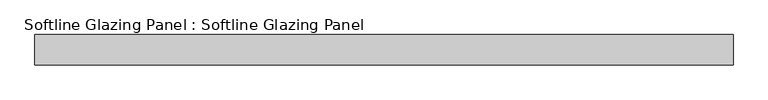
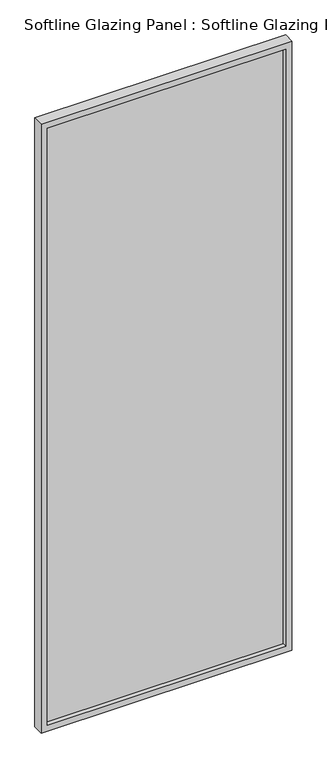
"""IFC4 building model written with IfcOpenShell, lengths in millimetres: plate geometry, Softline Glazing Panel : Softline Glazing Panel."""

from ifc_helpers import new_model, si_unit, frame, origin, place, context, project, spatial, polyline, outline, extrude, faceted_brep, source, transform, mapped, element, save


def softline_glazing_panel_softline_glazing_panel_461e338c(model_context):
    return source(origin(), model_context, "Body", "SolidModel", [
        extrude(outline(polyline([(504.0, 4.0), (504.0, -4.0), (-504.0, -4.0), (-504.0, 4.0), (504.0, 4.0)])), frame((0.0, 0.0, 16.0), z_axis=(0.0, 0.0, 1.0), x_axis=(1.0, 0.0, 0.0)), (0.0, 0.0, 1.0), 2638.0),
        faceted_brep([(494.0, 4.0, 26.0), (494.0, 22.5, 26.0), (-494.0, 22.5, 26.0), (-494.0, 4.0, 26.0), (504.0, -4.0, 16.0), (504.0, 4.0, 16.0), (-504.0, 4.0, 16.0), (-504.0, -4.0, 16.0), (494.0, -22.5, 26.0), (494.0, -4.0, 26.0), (-494.0, -4.0, 26.0), (-494.0, -22.5, 26.0), (520.0, 22.5, 0.0), (520.0, -22.5, 0.0), (-520.0, -22.5, 0.0), (-520.0, 22.5, 0.0), (-494.0, 22.5, 2644.0), (-494.0, 4.0, 2644.0), (-504.0, 4.0, 2654.0), (-504.0, -4.0, 2654.0), (-494.0, -4.0, 2644.0), (-494.0, -22.5, 2644.0), (-520.0, -22.5, 2670.0), (-520.0, 22.5, 2670.0), (494.0, 22.5, 2644.0), (494.0, 4.0, 2644.0), (504.0, 4.0, 2654.0), (504.0, -4.0, 2654.0), (494.0, -4.0, 2644.0), (494.0, -22.5, 2644.0), (520.0, -22.5, 2670.0), (520.0, 22.5, 2670.0)], [[[0, 1, 2, 3]], [[4, 5, 6, 7]], [[8, 9, 10, 11]], [[12, 13, 14, 15]], [[3, 2, 16, 17]], [[7, 6, 18, 19]], [[11, 10, 20, 21]], [[15, 14, 22, 23]], [[17, 16, 24, 25]], [[19, 18, 26, 27]], [[21, 20, 28, 29]], [[23, 22, 30, 31]], [[15, 23, 31, 12], [1, 24, 16, 2]], [[25, 24, 1, 0]], [[5, 26, 18, 6], [3, 17, 25, 0]], [[27, 26, 5, 4]], [[7, 19, 27, 4], [9, 28, 20, 10]], [[29, 28, 9, 8]], [[13, 30, 22, 14], [11, 21, 29, 8]], [[31, 30, 13, 12]]]),
    ])


if __name__ == "__main__":
    model = new_model("IFC4")
    model_context = context("Model", 3, world=origin())
    ifc_project = project(units=[si_unit("LENGTHUNIT", "METRE", prefix="MILLI")], contexts=[model_context])
    site = spatial("IfcSite", under=ifc_project)
    building = spatial("IfcBuilding", under=site)
    placement = place(None, origin())
    softline_glazing_panel_softline_glazing_panel_shape = softline_glazing_panel_softline_glazing_panel_461e338c(model_context)
    element("IfcPlate", 1, ObjectType="Softline Glazing Panel : Softline Glazing Panel", at=placement, inside=building, context=model_context, shape_type="MappedRepresentation", body=[
        mapped(softline_glazing_panel_softline_glazing_panel_shape, transform((0.0, 0.0, 0.0), x_axis=(1.0, 0.0, 0.0), y_axis=(0.0, 1.0, 0.0), z_axis=(0.0, 0.0, 1.0))),
    ])
    save(model, "model.ifc")
